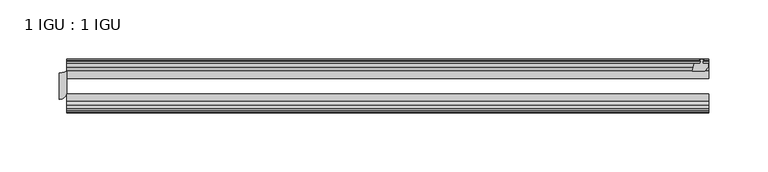
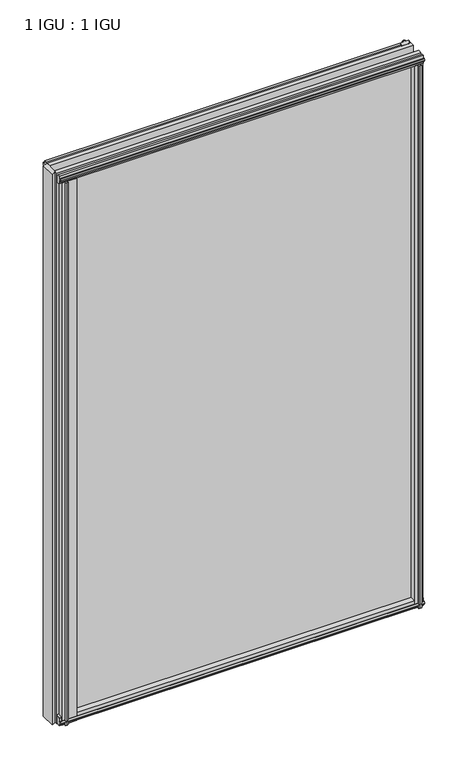
"""IFC4 building model written with IfcOpenShell, lengths in millimetres: plate geometry, 1 IGU : 1 IGU."""

from ifc_helpers import new_model, si_unit, point, frame, frame_2d, origin, place, context, project, spatial, polyline, circle_curve, trimmed, segment, composite_curve, outline, extrude, source, transform, mapped, element, save


def plate_1_igu_1_igu_f136b089(model_context):
    return source(origin(), model_context, "Body", "SweptSolid", [
        extrude(outline(composite_curve([segment(trimmed(circle_curve(frame_2d((-282.575, -9.2004624)), 12.1389698), [point((-282.575, -21.3394322))], [point((-276.225, -19.5460937))], True, "CARTESIAN"), True, "CONTINUOUS"), segment(polyline([(-276.225, -19.5460937), (-276.225, -37.2144322)]), True, "CONTINUOUS"), segment(trimmed(circle_curve(frame_2d((-282.575, -37.2144322)), 6.35), [point((-276.225, -37.2144322))], [point((-282.575, -43.5644322))], False, "CARTESIAN"), True, "CONTINUOUS"), segment(polyline([(-282.575, -43.5644322), (-282.575, -21.3394322)]), True, "CONTINUOUS")], self_intersect=False)), frame((0.0, 0.0, -12.4587), z_axis=(0.0, 0.0, 1.0), x_axis=(1.0, 0.0, 0.0)), (0.0, 0.0, 1.0), 863.1174),
        extrude(outline(polyline([(255.5181709, -10.4746158), (257.6957, -9.7670938), (259.8732291, -10.4746158), (259.8732291, -11.27583), (258.4577, -10.8158968), (258.8387, -13.1960938), (263.2837, -13.1960938), (263.2837, -16.1424938), (260.4493578, -19.5460938), (249.6279819, -19.5460938), (251.3457, -13.1960938), (256.5527, -13.1960938), (256.9337, -10.8158968), (255.5181709, -11.27583), (255.5181709, -10.4746158)])), frame((0.0, 0.0, -12.4587), z_axis=(0.0, 0.0, 1.0), x_axis=(1.0, 0.0, 0.0)), (0.0, 0.0, 1.0), 863.1174),
        extrude(outline(composite_curve([segment(polyline([(-273.05, -44.9460937), (-248.9617558, -44.9460937)]), True, "CONTINUOUS"), segment(trimmed(circle_curve(frame_2d((-242.0493721, -50.4227155)), 8.8189814), [point((-248.9617558, -44.9460937))], [point((-250.825, -51.2960937))], True, "CARTESIAN"), True, "CONTINUOUS"), segment(polyline([(-250.825, -51.2960937), (-265.43, -51.2960937), (-265.7475, -53.4006957), (-264.5288941, -53.0741712), (-264.3251, -53.8347412), (-266.7, -54.4710937), (-269.0749, -53.8347412), (-268.8711059, -53.0741712), (-267.6525, -53.4006957), (-267.97, -51.2960937), (-273.05, -51.2960937), (-273.05, -44.9460937)]), True, "CONTINUOUS")], self_intersect=False)), frame((0.0, 0.0, -12.4587), z_axis=(0.0, 0.0, 1.0), x_axis=(1.0, 0.0, 0.0)), (0.0, 0.0, 1.0), 850.4174),
        extrude(outline(polyline([(249.1105839, -44.9460938), (259.9319598, -44.9460938), (262.766302, -48.3496938), (262.766302, -51.2960938), (258.321302, -51.2960938), (257.940302, -53.6762907), (259.355831, -53.2163575), (259.355831, -54.0175717), (257.178302, -54.7250938), (255.0007729, -54.0175717), (255.0007729, -53.2163575), (256.416302, -53.6762907), (256.035302, -51.2960938), (250.828302, -51.2960938), (249.1105839, -44.9460938)])), frame((0.0, 0.0, -12.4587), z_axis=(0.0, 0.0, 1.0), x_axis=(1.0, 0.0, 0.0)), (0.0, 0.0, 1.0), 850.4174),
        extrude(outline(polyline([(-10.4746158, -4.6931709), (-9.7670937, -6.8707), (-10.4746158, -9.0482291), (-11.27583, -9.0482291), (-10.8158968, -7.6327), (-13.1960937, -8.0137), (-13.1960937, -12.4587), (-16.1424937, -12.4587), (-19.5460937, -9.6243578), (-19.5460937, 1.1970181), (-13.1960937, -0.5207), (-13.1960937, -5.7277), (-10.8158968, -6.1087), (-11.27583, -4.6931709), (-10.4746158, -4.6931709)])), frame((-276.225, 0.0, 0.0), z_axis=(1.0, 0.0, 0.0), x_axis=(0.0, 1.0, 0.0)), (0.0, 0.0, 1.0), 539.75),
        extrude(outline(polyline([(-44.9460937, 1.7177181), (-44.9460937, -9.1036578), (-48.3496937, -11.938), (-51.2960937, -11.938), (-51.2960937, -7.493), (-53.6762907, -7.112), (-53.2163575, -8.5275291), (-54.0175717, -8.5275291), (-54.7250937, -6.35), (-54.0175717, -4.1724709), (-53.2163575, -4.1724709), (-53.6762907, -5.588), (-51.2960937, -5.207), (-51.2960937, 0.0), (-44.9460937, 1.7177181)])), frame((-276.225, 0.0, 0.0), z_axis=(1.0, 0.0, 0.0), x_axis=(0.0, 1.0, 0.0)), (0.0, 0.0, 1.0), 539.75),
        extrude(outline(polyline([(-10.8158968, 845.8327), (-11.27583, 847.2482291), (-10.4746158, 847.2482291), (-9.7670937, 845.0707), (-10.4746158, 842.8931709), (-11.27583, 842.8931709), (-10.8158968, 844.3087), (-13.1960937, 843.9277), (-13.1960937, 838.7207), (-19.5460938, 837.0029819), (-19.5460938, 847.8243578), (-16.1424937, 850.6587), (-13.1960937, 850.6587), (-13.1960937, 846.2137), (-10.8158968, 845.8327)])), frame((-276.225, 0.0, 0.0), z_axis=(1.0, 0.0, 0.0), x_axis=(0.0, 1.0, 0.0)), (0.0, 0.0, 1.0), 539.75),
        extrude(outline(polyline([(-51.2960937, 850.138), (-48.3496937, 850.138), (-44.9460938, 847.3036578), (-44.9460938, 836.4822819), (-51.2960937, 838.2), (-51.2960937, 843.407), (-53.6762907, 843.788), (-53.2163575, 842.3724709), (-54.0175717, 842.3724709), (-54.7250937, 844.55), (-54.0175717, 846.7275291), (-53.2163575, 846.7275291), (-53.6762907, 845.312), (-51.2960937, 845.693), (-51.2960937, 850.138)])), frame((-276.225, 0.0, 0.0), z_axis=(1.0, 0.0, 0.0), x_axis=(0.0, 1.0, 0.0)), (0.0, 0.0, 1.0), 539.75),
        extrude(outline(polyline([(-276.225, -38.9186738), (263.525, -38.9186738), (263.525, -44.9460937), (-276.225, -44.9460937), (-276.225, -38.9186738)])), frame((0.0, 0.0, -12.7), z_axis=(0.0, 0.0, 1.0), x_axis=(1.0, 0.0, 0.0)), (0.0, 0.0, 1.0), 863.6),
        extrude(outline(polyline([(-276.225, -19.5460937), (263.525, -19.5460937), (263.525, -25.8960938), (-276.225, -25.8960938), (-276.225, -19.5460937)])), frame((0.0, 0.0, -12.7), z_axis=(0.0, 0.0, 1.0), x_axis=(1.0, 0.0, 0.0)), (0.0, 0.0, 1.0), 863.6),
    ])


if __name__ == "__main__":
    model = new_model("IFC4")
    model_context = context("Model", 3, world=origin())
    ifc_project = project(units=[si_unit("LENGTHUNIT", "METRE", prefix="MILLI")], contexts=[model_context])
    site = spatial("IfcSite", under=ifc_project)
    building = spatial("IfcBuilding", under=site)
    placement = place(None, origin())
    plate_1_igu_1_igu_shape = plate_1_igu_1_igu_f136b089(model_context)
    element("IfcPlate", 1, ObjectType="1 IGU : 1 IGU", at=placement, inside=building, context=model_context, shape_type="MappedRepresentation", body=[
        mapped(plate_1_igu_1_igu_shape, transform((0.0, 0.0, 0.0), x_axis=(1.0, 0.0, 0.0), y_axis=(0.0, 1.0, 0.0), z_axis=(0.0, 0.0, 1.0))),
    ])
    save(model, "model.ifc")
